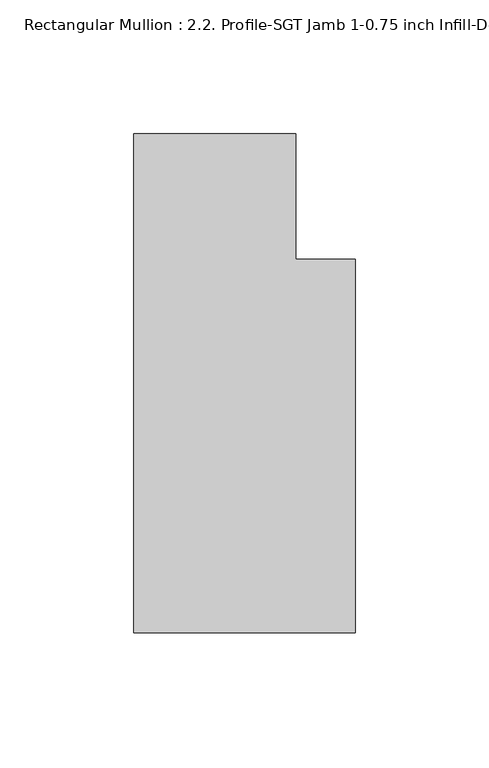
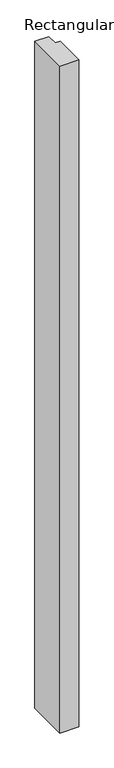
"""IFC4 building model written with IfcOpenShell, lengths in millimetres: member geometry, Rectangular Mullion : 2.2. Profile-SGT Jamb 1-0.75 inch Infill-Detail-5."""

from ifc_helpers import new_model, si_unit, frame, origin, place, context, project, spatial, polyline, outline, extrude, source, transform, mapped, element, save


def rectangular_mullion_2_2_profile_sgt_jamb_1_0_75_inch_infill_1f559e1d(model_context):
    return source(origin(), model_context, "Body", "SweptSolid", [
        extrude(outline(polyline([(0.0, -99.2718871), (-82.7668749, -99.2718871), (-82.7668749, 87.3863652), (-22.2248868, 87.3863652), (-22.2248868, 40.4281079), (0.0, 40.4281079), (0.0, -99.2718871)])), frame((0.0, 0.0, -3048.0), z_axis=(0.0, 0.0, 1.0), x_axis=(1.0, 0.0, 0.0)), (0.0, 0.0, 1.0), 3048.0),
    ])


if __name__ == "__main__":
    model = new_model("IFC4")
    model_context = context("Model", 3, world=origin())
    ifc_project = project(units=[si_unit("LENGTHUNIT", "METRE", prefix="MILLI")], contexts=[model_context])
    site = spatial("IfcSite", under=ifc_project)
    building = spatial("IfcBuilding", under=site)
    placement = place(None, origin())
    rectangular_mullion_2_2_profile_sgt_jamb_1_0_75_inch_infill_shape = rectangular_mullion_2_2_profile_sgt_jamb_1_0_75_inch_infill_1f559e1d(model_context)
    element("IfcMember", 1, ObjectType="Rectangular Mullion : 2.2. Profile-SGT Jamb 1-0.75 inch Infill-Detail-5", at=placement, inside=building, context=model_context, shape_type="MappedRepresentation", body=[
        mapped(rectangular_mullion_2_2_profile_sgt_jamb_1_0_75_inch_infill_shape, transform((0.0, 0.0, 0.0), x_axis=(1.0, 0.0, 0.0), y_axis=(0.0, 1.0, 0.0), z_axis=(0.0, 0.0, 1.0))),
    ])
    save(model, "model.ifc")
